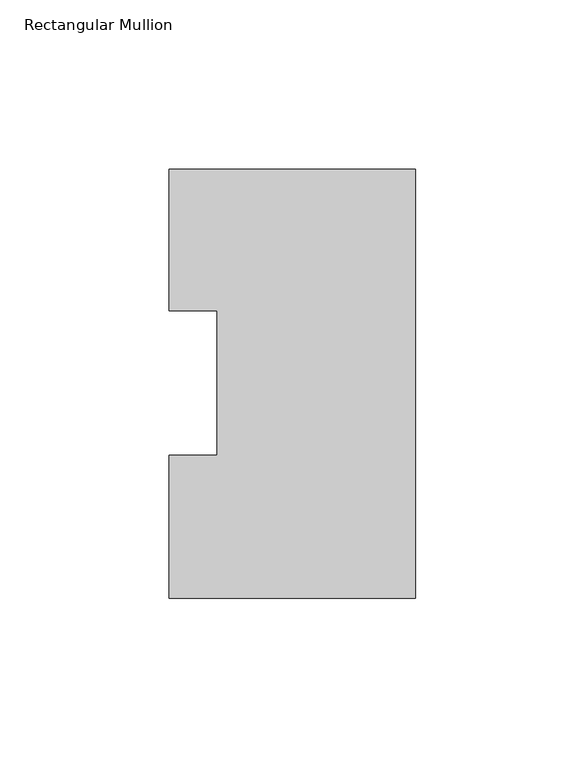
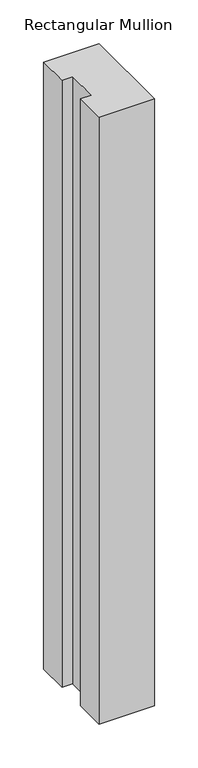
"""IFC4 building model written with IfcOpenShell, lengths in millimetres: member geometry, Rectangular Mullion."""

from ifc_helpers import new_model, si_unit, frame, origin, place, context, project, spatial, polyline, outline, extrude, source, transform, mapped, element, save


def rectangular_mullion_0b2d1f83(model_context):
    return source(origin(), model_context, "Body", "SweptSolid", [
        extrude(outline(polyline([(0.0, 126.9888875), (0.0, -0.0111125), (-73.025, -0.0111125), (-73.025, 42.2798875), (-58.7375, 42.2798875), (-58.7375, 85.1296875), (-73.025, 85.1296875), (-73.025, 126.9888875), (0.0, 126.9888875)])), frame((0.0, 0.0, -847.725), z_axis=(0.0, 0.0, 1.0), x_axis=(1.0, 0.0, 0.0)), (0.0, 0.0, 1.0), 847.725),
    ])


if __name__ == "__main__":
    model = new_model("IFC4")
    model_context = context("Model", 3, world=origin())
    ifc_project = project(units=[si_unit("LENGTHUNIT", "METRE", prefix="MILLI")], contexts=[model_context])
    site = spatial("IfcSite", under=ifc_project)
    building = spatial("IfcBuilding", under=site)
    placement = place(None, origin())
    rectangular_mullion_shape = rectangular_mullion_0b2d1f83(model_context)
    element("IfcMember", 1, ObjectType="Rectangular Mullion", at=placement, inside=building, context=model_context, shape_type="MappedRepresentation", body=[
        mapped(rectangular_mullion_shape, transform((0.0, 0.0, 0.0), x_axis=(1.0, 0.0, 0.0), y_axis=(0.0, 1.0, 0.0), z_axis=(0.0, 0.0, 1.0))),
    ])
    save(model, "model.ifc")
